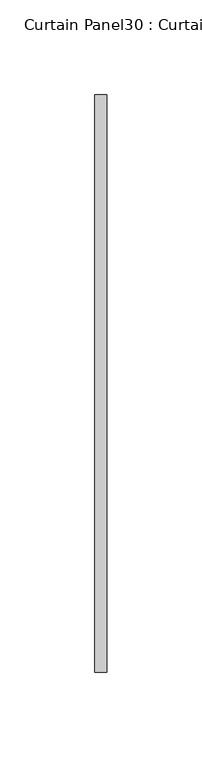
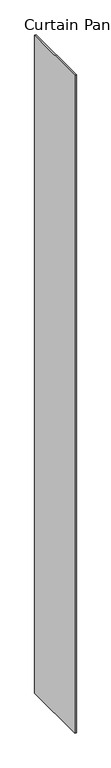
"""IFC4 building model written with IfcOpenShell, lengths in millimetres: plate geometry, Curtain Panel30 : Curtain Panel."""

from ifc_helpers import new_model, si_unit, origin, origin_with_axes, place, context, project, spatial, polyline, outline, extrude, source, transform, mapped, element, save


def curtain_panel30_curtain_panel_06a25f46(model_context):
    return source(origin(), model_context, "Body", "SweptSolid", [
        extrude(outline(polyline([(348618.4933139, 1974.7798449), (348618.4933139, 2279.5798449), (348624.8433139, 2279.5798449), (348624.8433139, 1974.7798449), (348618.4933139, 1974.7798449)])), origin_with_axes(), (0.0, 0.0, 1.0), 3048.0),
    ])


if __name__ == "__main__":
    model = new_model("IFC4")
    model_context = context("Model", 3, world=origin())
    ifc_project = project(units=[si_unit("LENGTHUNIT", "METRE", prefix="MILLI")], contexts=[model_context])
    site = spatial("IfcSite", under=ifc_project)
    building = spatial("IfcBuilding", under=site)
    placement = place(None, origin())
    curtain_panel30_curtain_panel_shape = curtain_panel30_curtain_panel_06a25f46(model_context)
    element("IfcPlate", 1, ObjectType="Curtain Panel30 : Curtain Panel", at=placement, inside=building, context=model_context, shape_type="MappedRepresentation", body=[
        mapped(curtain_panel30_curtain_panel_shape, transform((0.0, 0.0, 0.0), x_axis=(1.0, 0.0, 0.0), y_axis=(0.0, 1.0, 0.0), z_axis=(0.0, 0.0, 1.0))),
    ])
    save(model, "model.ifc")
